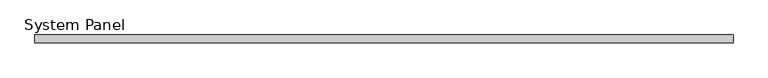
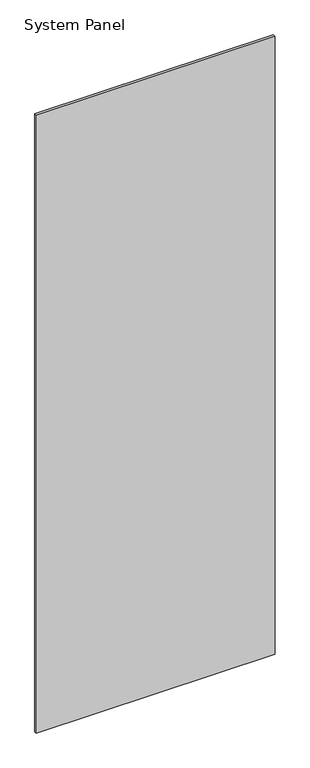
"""IFC4 building model written with IfcOpenShell, lengths in millimetres: plate geometry, System Panel."""

from ifc_helpers import new_model, si_unit, origin, origin_with_axes, place, context, project, spatial, polyline, outline, extrude, source, transform, mapped, element, save


def system_panel_3ce238b8(model_context):
    return source(origin(), model_context, "Body", "SweptSolid", [
        extrude(outline(polyline([(546.84, -6.0), (-546.84, -6.0), (-546.84, 6.0), (546.84, 6.0), (546.84, -6.0)])), origin_with_axes(), (0.0, 0.0, 1.0), 2991.6097048),
    ])


if __name__ == "__main__":
    model = new_model("IFC4")
    model_context = context("Model", 3, world=origin())
    ifc_project = project(units=[si_unit("LENGTHUNIT", "METRE", prefix="MILLI")], contexts=[model_context])
    site = spatial("IfcSite", under=ifc_project)
    building = spatial("IfcBuilding", under=site)
    placement = place(None, origin())
    system_panel_shape = system_panel_3ce238b8(model_context)
    element("IfcPlate", 1, ObjectType="System Panel", at=placement, inside=building, context=model_context, shape_type="MappedRepresentation", body=[
        mapped(system_panel_shape, transform((0.0, 0.0, 0.0), x_axis=(1.0, 0.0, 0.0), y_axis=(0.0, 1.0, 0.0), z_axis=(0.0, 0.0, 1.0))),
    ])
    save(model, "model.ifc")
